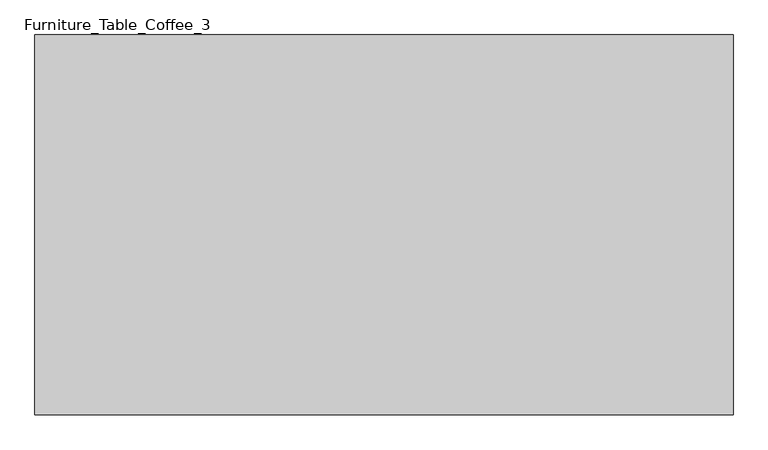
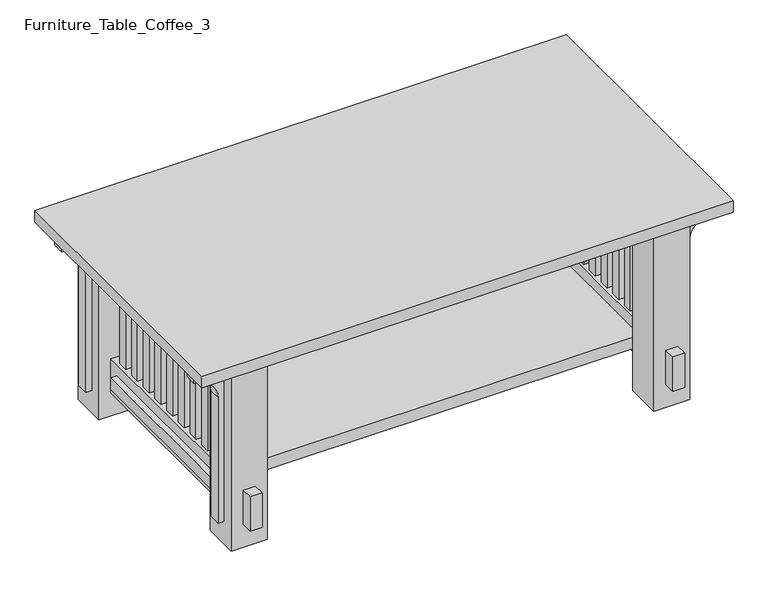
"""IFC4 building model written with IfcOpenShell, lengths in millimetres: furniture geometry, Furniture_Table_Coffee_3."""

from ifc_helpers import new_model, si_unit, point, frame, frame_2d, origin, place, context, project, spatial, polyline, circle_curve, trimmed, segment, composite_curve, outline, extrude, faceted_brep, source, transform, mapped, element, save


def furniture_table_coffee_3_1f372f76(model_context):
    return source(origin(), model_context, "Body", "SolidModel", [
        extrude(outline(polyline([(560.0, 304.8), (560.0, -304.8), (-560.0, -304.8), (-560.0, 304.8), (560.0, 304.8)])), frame((0.0, 0.0, 406.4), z_axis=(0.0, 0.0, 1.0), x_axis=(1.0, 0.0, 0.0)), (0.0, 0.0, 1.0), 25.4),
        extrude(outline(polyline([(-439.35, 181.8105263), (-439.35, 160.4210526), (-452.05, 160.4210526), (-452.05, 181.8105263), (-439.35, 181.8105263)])), frame((0.0, 0.0, 127.0), z_axis=(0.0, 0.0, 1.0), x_axis=(1.0, 0.0, 0.0)), (0.0, 0.0, 1.0), 279.4),
        extrude(outline(polyline([(-439.35, -181.8105263), (-452.05, -181.8105263), (-452.05, -160.4210526), (-439.35, -160.4210526), (-439.35, -181.8105263)])), frame((0.0, 0.0, 127.0), z_axis=(0.0, 0.0, 1.0), x_axis=(1.0, 0.0, 0.0)), (0.0, 0.0, 1.0), 279.4),
        extrude(outline(polyline([(-439.35, -10.6947368), (-452.05, -10.6947368), (-452.05, 10.6947368), (-439.35, 10.6947368), (-439.35, -10.6947368)])), frame((0.0, 0.0, 127.0), z_axis=(0.0, 0.0, 1.0), x_axis=(1.0, 0.0, 0.0)), (0.0, 0.0, 1.0), 279.4),
        extrude(outline(polyline([(-439.35, 96.2526316), (-439.35, 74.8631579), (-452.05, 74.8631579), (-452.05, 96.2526316), (-439.35, 96.2526316)])), frame((0.0, 0.0, 127.0), z_axis=(0.0, 0.0, 1.0), x_axis=(1.0, 0.0, 0.0)), (0.0, 0.0, 1.0), 279.4),
        extrude(outline(polyline([(-439.35, -96.2526316), (-452.05, -96.2526316), (-452.05, -74.8631579), (-439.35, -74.8631579), (-439.35, -96.2526316)])), frame((0.0, 0.0, 127.0), z_axis=(0.0, 0.0, 1.0), x_axis=(1.0, 0.0, 0.0)), (0.0, 0.0, 1.0), 279.4),
        extrude(outline(polyline([(-439.35, -139.0315789), (-452.05, -139.0315789), (-452.05, -117.6421053), (-439.35, -117.6421053), (-439.35, -139.0315789)])), frame((0.0, 0.0, 127.0), z_axis=(0.0, 0.0, 1.0), x_axis=(1.0, 0.0, 0.0)), (0.0, 0.0, 1.0), 279.4),
        extrude(outline(polyline([(-439.35, -53.4736842), (-452.05, -53.4736842), (-452.05, -32.0842105), (-439.35, -32.0842105), (-439.35, -53.4736842)])), frame((0.0, 0.0, 127.0), z_axis=(0.0, 0.0, 1.0), x_axis=(1.0, 0.0, 0.0)), (0.0, 0.0, 1.0), 279.4),
        extrude(outline(polyline([(-439.35, 32.0842105), (-452.05, 32.0842105), (-452.05, 53.4736842), (-439.35, 53.4736842), (-439.35, 32.0842105)])), frame((0.0, 0.0, 127.0), z_axis=(0.0, 0.0, 1.0), x_axis=(1.0, 0.0, 0.0)), (0.0, 0.0, 1.0), 279.4),
        extrude(outline(polyline([(-439.35, 139.0315789), (-439.35, 117.6421053), (-452.05, 117.6421053), (-452.05, 139.0315789), (-439.35, 139.0315789)])), frame((0.0, 0.0, 127.0), z_axis=(0.0, 0.0, 1.0), x_axis=(1.0, 0.0, 0.0)), (0.0, 0.0, 1.0), 279.4),
        extrude(outline(polyline([(452.05, 181.8105263), (452.05, 160.4210526), (439.35, 160.4210526), (439.35, 181.8105263), (452.05, 181.8105263)])), frame((0.0, 0.0, 127.0), z_axis=(0.0, 0.0, 1.0), x_axis=(1.0, 0.0, 0.0)), (0.0, 0.0, 1.0), 279.4),
        extrude(outline(polyline([(452.05, 139.0315789), (452.05, 117.6421053), (439.35, 117.6421053), (439.35, 139.0315789), (452.05, 139.0315789)])), frame((0.0, 0.0, 127.0), z_axis=(0.0, 0.0, 1.0), x_axis=(1.0, 0.0, 0.0)), (0.0, 0.0, 1.0), 279.4),
        extrude(outline(polyline([(452.05, 96.2526316), (452.05, 74.8631579), (439.35, 74.8631579), (439.35, 96.2526316), (452.05, 96.2526316)])), frame((0.0, 0.0, 127.0), z_axis=(0.0, 0.0, 1.0), x_axis=(1.0, 0.0, 0.0)), (0.0, 0.0, 1.0), 279.4),
        extrude(outline(polyline([(452.05, 53.4736842), (452.05, 32.0842105), (439.35, 32.0842105), (439.35, 53.4736842), (452.05, 53.4736842)])), frame((0.0, 0.0, 127.0), z_axis=(0.0, 0.0, 1.0), x_axis=(1.0, 0.0, 0.0)), (0.0, 0.0, 1.0), 279.4),
        extrude(outline(polyline([(452.05, 10.6947368), (452.05, -10.6947368), (439.35, -10.6947368), (439.35, 10.6947368), (452.05, 10.6947368)])), frame((0.0, 0.0, 127.0), z_axis=(0.0, 0.0, 1.0), x_axis=(1.0, 0.0, 0.0)), (0.0, 0.0, 1.0), 279.4),
        extrude(outline(polyline([(452.05, -32.0842105), (452.05, -53.4736842), (439.35, -53.4736842), (439.35, -32.0842105), (452.05, -32.0842105)])), frame((0.0, 0.0, 127.0), z_axis=(0.0, 0.0, 1.0), x_axis=(1.0, 0.0, 0.0)), (0.0, 0.0, 1.0), 279.4),
        extrude(outline(polyline([(452.05, -74.8631579), (452.05, -96.2526316), (439.35, -96.2526316), (439.35, -74.8631579), (452.05, -74.8631579)])), frame((0.0, 0.0, 127.0), z_axis=(0.0, 0.0, 1.0), x_axis=(1.0, 0.0, 0.0)), (0.0, 0.0, 1.0), 279.4),
        extrude(outline(polyline([(452.05, -117.6421053), (452.05, -139.0315789), (439.35, -139.0315789), (439.35, -117.6421053), (452.05, -117.6421053)])), frame((0.0, 0.0, 127.0), z_axis=(0.0, 0.0, 1.0), x_axis=(1.0, 0.0, 0.0)), (0.0, 0.0, 1.0), 279.4),
        extrude(outline(polyline([(452.05, -160.4210526), (452.05, -181.8105263), (439.35, -181.8105263), (439.35, -160.4210526), (452.05, -160.4210526)])), frame((0.0, 0.0, 127.0), z_axis=(0.0, 0.0, 1.0), x_axis=(1.0, 0.0, 0.0)), (0.0, 0.0, 1.0), 279.4),
        extrude(outline(composite_curve([segment(trimmed(circle_curve(frame_2d((330.2, -547.3)), 50.8), [point((381.0, -547.3))], [point((330.2, -496.5))], True, "CARTESIAN"), True, "CONTINUOUS"), segment(polyline([(330.2, -496.5), (50.8, -496.5), (50.8, -483.8), (406.4, -483.8), (406.4, -547.3), (381.0, -547.3)]), True, "CONTINUOUS")], self_intersect=False)), frame((0.0, 228.6, 0.0), z_axis=(0.0, 1.0, 0.0), x_axis=(0.0, 0.0, 1.0)), (0.0, 0.0, 1.0), 25.4),
        extrude(outline(composite_curve([segment(trimmed(circle_curve(frame_2d((330.2, -547.3)), 50.8), [point((381.0, -547.3))], [point((330.2, -496.5))], True, "CARTESIAN"), True, "CONTINUOUS"), segment(polyline([(330.2, -496.5), (50.8, -496.5), (50.8, -483.8), (406.4, -483.8), (406.4, -547.3), (381.0, -547.3)]), True, "CONTINUOUS")], self_intersect=False)), frame((0.0, -254.0, 0.0), z_axis=(0.0, 1.0, 0.0), x_axis=(0.0, 0.0, 1.0)), (0.0, 0.0, 1.0), 25.4),
        extrude(outline(composite_curve([segment(polyline([(381.0, 547.3), (406.4, 547.3), (406.4, 483.8), (50.8, 483.8), (50.8, 496.5), (330.2, 496.5)]), True, "CONTINUOUS"), segment(trimmed(circle_curve(frame_2d((330.2, 547.3)), 50.8), [point((330.2, 496.5))], [point((381.0, 547.3))], True, "CARTESIAN"), True, "CONTINUOUS")], self_intersect=False)), frame((0.0, 228.6, 0.0), z_axis=(0.0, 1.0, 0.0), x_axis=(0.0, 0.0, 1.0)), (0.0, 0.0, 1.0), 25.4),
        extrude(outline(composite_curve([segment(polyline([(381.0, 547.3), (406.4, 547.3), (406.4, 483.8), (50.8, 483.8), (50.8, 496.5), (330.2, 496.5)]), True, "CONTINUOUS"), segment(trimmed(circle_curve(frame_2d((330.2, 547.3)), 50.8), [point((330.2, 496.5))], [point((381.0, 547.3))], True, "CARTESIAN"), True, "CONTINUOUS")], self_intersect=False)), frame((0.0, -254.0, 0.0), z_axis=(0.0, 1.0, 0.0), x_axis=(0.0, 0.0, 1.0)), (0.0, 0.0, 1.0), 25.4),
        faceted_brep([(483.8, 279.4, 406.4), (407.6, 279.4, 406.4), (407.6, 203.2, 406.4), (483.8, 203.2, 406.4), (483.8, 279.4, 0.0), (483.8, 203.2, 0.0), (407.6, 203.2, 0.0), (407.6, 279.4, 0.0), (458.4, 279.4, 127.0), (433.0, 279.4, 127.0), (433.0, 279.4, 50.8), (458.4, 279.4, 50.8), (433.0, 203.2, 127.0), (458.4, 203.2, 127.0), (458.4, 203.2, 50.8), (433.0, 203.2, 50.8), (433.0, -203.2, 127.0), (458.4, -203.2, 127.0), (458.4, 304.8, 127.0), (433.0, 304.8, 127.0), (433.0, -304.8, 127.0), (458.4, -304.8, 127.0), (458.4, -279.4, 127.0), (433.0, -279.4, 127.0), (458.4, -203.2, 50.8), (433.0, -203.2, 50.8), (458.4, -304.8, 50.8), (433.0, -304.8, 50.8), (433.0, -279.4, 50.8), (458.4, -279.4, 50.8), (433.0, 304.8, 50.8), (458.4, 304.8, 50.8), (458.4, -181.8105263, 101.6), (458.4, 181.8105263, 101.6), (458.4, 181.8105263, 76.2), (458.4, -181.8105263, 76.2), (433.0, 181.8105263, 101.6), (433.0, -181.8105263, 101.6), (433.0, -181.8105263, 76.2), (433.0, 181.8105263, 76.2), (483.8, -203.2, 406.4), (407.6, -203.2, 406.4), (407.6, -279.4, 406.4), (483.8, -279.4, 406.4), (483.8, -203.2, 0.0), (483.8, -279.4, 0.0), (407.6, -279.4, 0.0), (407.6, -203.2, 0.0), (-407.6, 279.4, 406.4), (-483.8, 279.4, 406.4), (-483.8, 203.2, 406.4), (-407.6, 203.2, 406.4), (-407.6, 279.4, 0.0), (-407.6, 203.2, 0.0), (-483.8, 203.2, 0.0), (-483.8, 279.4, 0.0), (-433.0, 279.4, 127.0), (-458.4, 279.4, 127.0), (-458.4, 279.4, 50.8), (-433.0, 279.4, 50.8), (-458.4, 203.2, 127.0), (-433.0, 203.2, 127.0), (-433.0, 203.2, 50.8), (-458.4, 203.2, 50.8), (-407.6, -203.2, 406.4), (-483.8, -203.2, 406.4), (-483.8, -279.4, 406.4), (-407.6, -279.4, 406.4), (-407.6, -203.2, 0.0), (-407.6, -279.4, 0.0), (-483.8, -279.4, 0.0), (-483.8, -203.2, 0.0), (-433.0, -203.2, 127.0), (-458.4, -203.2, 127.0), (-458.4, -203.2, 50.8), (-433.0, -203.2, 50.8), (-458.4, -279.4, 127.0), (-433.0, -279.4, 127.0), (-433.0, -279.4, 50.8), (-458.4, -279.4, 50.8), (-458.4, -304.8, 127.0), (-433.0, -304.8, 127.0), (-433.0, 304.8, 127.0), (-458.4, 304.8, 127.0), (-458.4, 304.8, 50.8), (-433.0, 304.8, 50.8), (-433.0, -304.8, 50.8), (-458.4, -304.8, 50.8), (-433.0, -181.8105263, 101.6), (-433.0, 181.8105263, 101.6), (-433.0, 181.8105263, 76.2), (-433.0, -181.8105263, 76.2), (-458.4, 181.8105263, 101.6), (-458.4, -181.8105263, 101.6), (-458.4, -181.8105263, 76.2), (-458.4, 181.8105263, 76.2), (-471.1, 181.8105263, 101.6), (-471.1, -181.8105263, 101.6), (471.1, -181.8105263, 101.6), (471.1, 181.8105263, 101.6), (471.1, 181.8105263, 76.2), (471.1, -181.8105263, 76.2), (-471.1, -181.8105263, 76.2), (-471.1, 181.8105263, 76.2)], [[[0, 1, 2, 3]], [[4, 5, 6, 7]], [[1, 0, 4, 7], [8, 9, 10, 11]], [[2, 1, 7, 6]], [[3, 2, 6, 5], [12, 13, 14, 15]], [[0, 3, 5, 4]], [[13, 12, 16, 17]], [[18, 19, 9, 8]], [[20, 21, 22, 23]], [[15, 14, 24, 25]], [[26, 27, 28, 29]], [[30, 31, 11, 10]], [[14, 13, 17, 24], [32, 33, 34, 35]], [[21, 26, 29, 22]], [[31, 18, 8, 11]], [[19, 18, 31, 30]], [[12, 15, 25, 16], [36, 37, 38, 39]], [[19, 30, 10, 9]], [[27, 20, 23, 28]], [[21, 20, 27, 26]], [[40, 41, 42, 43]], [[44, 45, 46, 47]], [[41, 40, 44, 47], [17, 16, 25, 24]], [[42, 41, 47, 46]], [[43, 42, 46, 45], [23, 22, 29, 28]], [[40, 43, 45, 44]], [[48, 49, 50, 51]], [[52, 53, 54, 55]], [[49, 48, 52, 55], [56, 57, 58, 59]], [[50, 49, 55, 54]], [[51, 50, 54, 53], [60, 61, 62, 63]], [[48, 51, 53, 52]], [[64, 65, 66, 67]], [[68, 69, 70, 71]], [[65, 64, 68, 71], [72, 73, 74, 75]], [[66, 65, 71, 70]], [[67, 66, 70, 69], [76, 77, 78, 79]], [[64, 67, 69, 68]], [[80, 81, 77, 76]], [[82, 83, 57, 56]], [[72, 61, 60, 73]], [[84, 85, 59, 58]], [[86, 87, 79, 78]], [[74, 63, 62, 75]], [[81, 80, 87, 86]], [[61, 72, 75, 62], [88, 89, 90, 91]], [[81, 86, 78, 77]], [[85, 82, 56, 59]], [[83, 82, 85, 84]], [[73, 60, 63, 74], [92, 93, 94, 95]], [[87, 80, 76, 79]], [[83, 84, 58, 57]], [[96, 97, 93, 92]], [[98, 99, 33, 32]], [[36, 89, 88, 37]], [[100, 101, 35, 34]], [[102, 103, 95, 94]], [[38, 91, 90, 39]], [[89, 36, 39, 90]], [[99, 100, 34, 33]], [[103, 96, 92, 95]], [[97, 96, 103, 102]], [[37, 88, 91, 38]], [[97, 102, 94, 93]], [[101, 98, 32, 35]], [[99, 98, 101, 100]]]),
    ])


if __name__ == "__main__":
    model = new_model("IFC4")
    model_context = context("Model", 3, world=origin())
    ifc_project = project(units=[si_unit("LENGTHUNIT", "METRE", prefix="MILLI")], contexts=[model_context])
    site = spatial("IfcSite", under=ifc_project)
    building = spatial("IfcBuilding", under=site)
    placement = place(None, origin())
    furniture_table_coffee_3_shape = furniture_table_coffee_3_1f372f76(model_context)
    element("IfcFurniture", 1, ObjectType="Furniture_Table_Coffee_3", at=placement, inside=building, context=model_context, shape_type="MappedRepresentation", body=[
        mapped(furniture_table_coffee_3_shape, transform((0.0, 0.0, 0.0), x_axis=(1.0, 0.0, 0.0), y_axis=(0.0, 1.0, 0.0), z_axis=(0.0, 0.0, 1.0))),
    ])
    save(model, "model.ifc")
